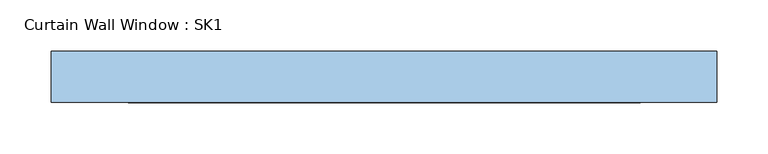
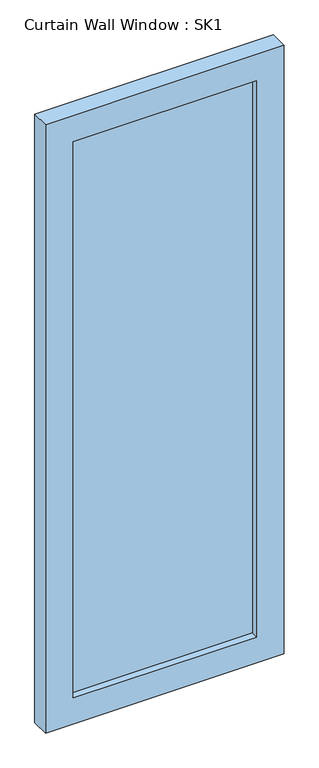
"""IFC4 building model written with IfcOpenShell, lengths in millimetres: window geometry, Curtain Wall Window : SK1."""

from ifc_helpers import new_model, si_unit, frame, origin, place, context, project, spatial, polyline, outline, extrude, source, transform, mapped, element, save


def curtain_wall_window_sk1_c1287485(model_context):
    return source(origin(), model_context, "Body", "SweptSolid", [
        extrude(outline(polyline([(250.0, 44.05), (-250.0, 44.05), (-250.0, 56.75), (250.0, 56.75), (250.0, 44.05)])), frame((0.0, 0.0, 75.0), z_axis=(0.0, 0.0, 1.0), x_axis=(1.0, 0.0, 0.0)), (0.0, 0.0, 1.0), 1600.0),
        extrude(outline(polyline([(1750.0, -325.0), (0.0, -325.0), (0.0, 325.0), (1750.0, 325.0), (1750.0, -325.0)]), holes=[polyline([(1675.0, -250.0), (1675.0, 250.0), (75.0, 250.0), (75.0, -250.0), (1675.0, -250.0)])]), frame((0.0, 25.0, 0.0), z_axis=(0.0, 1.0, 0.0), x_axis=(0.0, 0.0, 1.0)), (0.0, 0.0, 1.0), 50.0),
    ])


if __name__ == "__main__":
    model = new_model("IFC4")
    model_context = context("Model", 3, world=origin())
    ifc_project = project(units=[si_unit("LENGTHUNIT", "METRE", prefix="MILLI")], contexts=[model_context])
    site = spatial("IfcSite", under=ifc_project)
    building = spatial("IfcBuilding", under=site)
    placement = place(None, origin())
    curtain_wall_window_sk1_shape = curtain_wall_window_sk1_c1287485(model_context)
    element("IfcWindow", 1, ObjectType="Curtain Wall Window : SK1", at=placement, inside=building, context=model_context, shape_type="MappedRepresentation", body=[
        mapped(curtain_wall_window_sk1_shape, transform((0.0, 0.0, 0.0), x_axis=(1.0, 0.0, 0.0), y_axis=(0.0, 1.0, 0.0), z_axis=(0.0, 0.0, 1.0))),
    ])
    save(model, "model.ifc")
